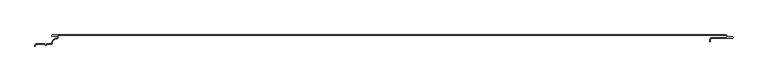
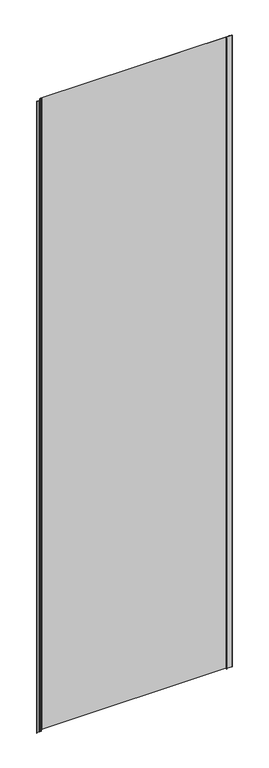
"""IFC4 building model written with IfcOpenShell, lengths in millimetres: plate geometry."""

from ifc_helpers import new_model, si_unit, frame, origin, place, context, project, spatial, polyline, circle_curve, source, transform, mapped, element, save
from ifc_brep_helpers import plane_surface, cylinder_surface, revolved_surface, advanced_brep


def plate_45da7de7(model_context):
    return source(origin(), model_context, "Body", "AdvancedBrep", [
        advanced_brep(
        [(502.0, -4.8245382, 3500.0), (532.5, -4.8245382, 3500.0), (532.5, -2.8245382, 3500.0), (525.5561562, -2.8245382, 3500.0), (524.6579744, -1.981717, 3500.0), (522.5460884, 0.0, 3500.0), (-471.6850913, 0.0, 3500.0), (-474.0000003, -0.1234618, 3500.0), (-474.0000003, -2.1234618, 3500.0), (-468.0000003, -2.1234618, 3500.0), (-468.0739842, -5.1216362, 3500.0), (-474.990878, -12.0703501, 3500.0), (-476.0000003, -13.1234618, 3500.0), (-482.5000001, -13.1234618, 3500.0), (-484.0000002, -14.6234618, 3500.0), (-485.5000001, -13.1234618, 3500.0), (-497.4, -13.1234618, 3500.0), (-500.0, -15.7234618, 3500.0), (-500.0, -17.1226667, 3500.0), (-499.2, -17.1226667, 3500.0), (-499.2, -15.7234618, 3500.0), (-497.4, -13.9234618, 3500.0), (-485.831371, -13.9234618, 3500.0), (-484.0000002, -15.7548327, 3500.0), (-482.1686293, -13.9234618, 3500.0), (-476.0000003, -13.9234618, 3500.0), (-474.2024882, -12.0288559, 3500.0), (-468.1139291, -5.930521, 3500.0), (-468.0000003, -1.3234618, 3500.0), (-474.0000003, -1.3234618, 3500.0), (-471.6637731, -0.8, 3500.0), (522.5460884, -0.8, 3500.0), (523.8595905, -2.0325427, 3500.0), (525.8912786, -3.5911794, 3500.0), (532.5, -4.0245382, 3500.0), (502.0, -4.0245382, 3500.0), (499.2, -6.8245382, 3500.0), (499.2, -10.3245382, 3500.0), (500.0, -10.3245382, 3500.0), (500.0, -6.8245382, 3500.0), (502.0, -4.8245382, 0.0), (500.0, -6.8245382, 0.0), (500.0, -10.3245382, 0.0), (499.2, -10.3245382, 0.0), (499.2, -6.8245382, 0.0), (502.0, -4.0245382, 0.0), (532.5, -4.0245382, 0.0), (525.8912786, -3.5911794, 0.0), (523.8595905, -2.0325427, 0.0), (522.5460884, -0.8, 0.0), (-471.6637731, -0.8, 0.0), (-474.0000003, -1.3234618, 0.0), (-468.0000003, -1.3234618, 0.0), (-468.1134423, -5.9206625, 0.0), (-474.1919837, -12.028303, 0.0), (-476.0000003, -13.9234618, 0.0), (-482.1686293, -13.9234618, 0.0), (-484.0000002, -15.7548327, 0.0), (-485.831371, -13.9234618, 0.0), (-497.4, -13.9234618, 0.0), (-499.2, -15.7234618, 0.0), (-499.2, -17.1226667, 0.0), (-500.0, -17.1226667, 0.0), (-500.0, -15.7234618, 0.0), (-497.4, -13.1234618, 0.0), (-485.5000001, -13.1234618, 0.0), (-484.0000002, -14.6234618, 0.0), (-482.5000001, -13.1234618, 0.0), (-476.0000003, -13.1234618, 0.0), (-475.0013825, -12.070903, 0.0), (-468.0744711, -5.1314947, 0.0), (-468.0000003, -2.1234618, 0.0), (-474.0000003, -2.1234618, 0.0), (-474.0000003, -0.1234618, 0.0), (-471.6850913, 0.0, 0.0), (522.5460884, 0.0, 0.0), (524.6579744, -1.981717, 0.0), (525.5561562, -2.8245382, 0.0), (532.5, -2.8245382, 0.0), (532.5, -4.8245382, 0.0)],
        [
            (0, 1),
            (1, 2, circle_curve(frame((532.5, -3.8245382, 3500.0), z_axis=(0.0, 0.0, 1.0), x_axis=(1.0, 0.0, 0.0)), 1.0)),
            (2, 3),
            (3, 4, circle_curve(frame((525.5561562, -1.9245382, 3500.0), z_axis=(0.0, 0.0, -1.0), x_axis=(1.0, 0.0, 0.0)), 0.9)),
            (4, 5, circle_curve(frame((522.5460884, -2.116161, 3500.0), z_axis=(0.0, 0.0, 1.0), x_axis=(1.0, 0.0, 0.0)), 2.116161)),
            (5, 6),
            (6, 7),
            (7, 8, circle_curve(frame((-474.0000003, -1.1234618, 3500.0), z_axis=(0.0, 0.0, 1.0), x_axis=(1.0, 0.0, 0.0)), 1.0)),
            (8, 9),
            (9, 10, circle_curve(frame((-468.0000003, -3.6234618, 3500.0), z_axis=(0.0, 0.0, -1.0), x_axis=(1.0, 0.0, 0.0)), 1.5)),
            (10, 11, circle_curve(frame((-468.4000003, -11.7234618, 3500.0), z_axis=(0.0, 0.0, 1.0), x_axis=(1.0, 0.0, 0.0)), 6.6)),
            (11, 12, circle_curve(frame((-476.0000003, -12.1234618, 3500.0), z_axis=(0.0, 0.0, -1.0), x_axis=(1.0, 0.0, 0.0)), 1.0)),
            (12, 13),
            (13, 14),
            (14, 15),
            (15, 16),
            (16, 17, circle_curve(frame((-497.4, -15.7234618, 3500.0), z_axis=(0.0, 0.0, 1.0), x_axis=(1.0, 0.0, 0.0)), 2.6)),
            (17, 18),
            (18, 19),
            (19, 20),
            (20, 21, circle_curve(frame((-497.4, -15.7234618, 3500.0), z_axis=(0.0, 0.0, -1.0), x_axis=(1.0, 0.0, 0.0)), 1.8)),
            (21, 22),
            (22, 23),
            (23, 24),
            (24, 25),
            (25, 26, circle_curve(frame((-476.0000003, -12.1234618, 3500.0), z_axis=(0.0, 0.0, 1.0), x_axis=(1.0, 0.0, 0.0)), 1.8)),
            (26, 27, circle_curve(frame((-468.4000003, -11.7234618, 3500.0), z_axis=(0.0, 0.0, -1.0), x_axis=(1.0, 0.0, 0.0)), 5.8)),
            (27, 28, circle_curve(frame((-468.0000003, -3.6234618, 3500.0), z_axis=(0.0, 0.0, 1.0), x_axis=(1.0, 0.0, 0.0)), 2.3)),
            (28, 29),
            (29, 30),
            (30, 31),
            (31, 32, circle_curve(frame((522.5460884, -2.116161, 3500.0), z_axis=(0.0, 0.0, -1.0), x_axis=(1.0, 0.0, 0.0)), 1.316161)),
            (32, 33, circle_curve(frame((525.5561562, -1.9245382, 3500.0), z_axis=(0.0, 0.0, 1.0), x_axis=(1.0, 0.0, 0.0)), 1.7)),
            (33, 34),
            (34, 35),
            (35, 36, circle_curve(frame((502.0, -6.8245382, 3500.0), z_axis=(0.0, 0.0, 1.0), x_axis=(1.0, 0.0, 0.0)), 2.8)),
            (36, 37),
            (37, 38),
            (38, 39),
            (39, 0, circle_curve(frame((502.0, -6.8245382, 3500.0), z_axis=(0.0, 0.0, -1.0), x_axis=(1.0, 0.0, 0.0)), 2.0)),
            (40, 41, circle_curve(frame((502.0, -6.8245382, 0.0), z_axis=(0.0, 0.0, 1.0), x_axis=(1.0, 0.0, 0.0)), 2.0)),
            (41, 42),
            (42, 43),
            (43, 44),
            (44, 45, circle_curve(frame((502.0, -6.8245382, 0.0), z_axis=(0.0, 0.0, -1.0), x_axis=(1.0, 0.0, 0.0)), 2.8)),
            (45, 46),
            (46, 47),
            (47, 48, circle_curve(frame((525.5561562, -1.9245382, 0.0), z_axis=(0.0, 0.0, -1.0), x_axis=(1.0, 0.0, 0.0)), 1.7)),
            (48, 49, circle_curve(frame((522.5460884, -2.116161, 0.0), z_axis=(0.0, 0.0, 1.0), x_axis=(1.0, 0.0, 0.0)), 1.316161)),
            (49, 50),
            (50, 51),
            (51, 52),
            (52, 53, circle_curve(frame((-468.0000003, -3.6234618, 0.0), z_axis=(0.0, 0.0, -1.0), x_axis=(1.0, 0.0, 0.0)), 2.3)),
            (53, 54, circle_curve(frame((-468.4000003, -11.7234618, 0.0), z_axis=(0.0, 0.0, 1.0), x_axis=(1.0, 0.0, 0.0)), 5.8)),
            (54, 55, circle_curve(frame((-476.0000003, -12.1234618, 0.0), z_axis=(0.0, 0.0, -1.0), x_axis=(1.0, 0.0, 0.0)), 1.8)),
            (55, 56),
            (56, 57),
            (57, 58),
            (58, 59),
            (59, 60, circle_curve(frame((-497.4, -15.7234618, 0.0), z_axis=(0.0, 0.0, 1.0), x_axis=(1.0, 0.0, 0.0)), 1.8)),
            (60, 61),
            (61, 62),
            (62, 63),
            (63, 64, circle_curve(frame((-497.4, -15.7234618, 0.0), z_axis=(0.0, 0.0, -1.0), x_axis=(1.0, 0.0, 0.0)), 2.6)),
            (64, 65),
            (65, 66),
            (66, 67),
            (67, 68),
            (68, 69, circle_curve(frame((-476.0000003, -12.1234618, 0.0), z_axis=(0.0, 0.0, 1.0), x_axis=(1.0, 0.0, 0.0)), 1.0)),
            (69, 70, circle_curve(frame((-468.4000003, -11.7234618, 0.0), z_axis=(0.0, 0.0, -1.0), x_axis=(1.0, 0.0, 0.0)), 6.6)),
            (70, 71, circle_curve(frame((-468.0000003, -3.6234618, 0.0), z_axis=(0.0, 0.0, 1.0), x_axis=(1.0, 0.0, 0.0)), 1.5)),
            (71, 72),
            (72, 73, circle_curve(frame((-474.0000003, -1.1234618, 0.0), z_axis=(0.0, 0.0, -1.0), x_axis=(1.0, 0.0, 0.0)), 1.0)),
            (73, 74),
            (74, 75),
            (75, 76, circle_curve(frame((522.5460884, -2.116161, 0.0), z_axis=(0.0, 0.0, -1.0), x_axis=(1.0, 0.0, 0.0)), 2.116161)),
            (76, 77, circle_curve(frame((525.5561562, -1.9245382, 0.0), z_axis=(0.0, 0.0, 1.0), x_axis=(1.0, 0.0, 0.0)), 0.9)),
            (77, 78),
            (78, 79, circle_curve(frame((532.5, -3.8245382, 0.0), z_axis=(0.0, 0.0, -1.0), x_axis=(1.0, 0.0, 0.0)), 1.0)),
            (79, 40),
            (0, 40),
            (79, 1),
            (78, 2),
            (77, 3),
            (76, 4),
            (75, 5),
            (74, 6),
            (73, 7),
            (72, 8),
            (71, 9),
            (70, 10),
            (69, 11),
            (68, 12),
            (67, 13),
            (66, 14),
            (65, 15),
            (64, 16),
            (63, 17),
            (62, 18),
            (61, 19),
            (60, 20),
            (59, 21),
            (58, 22),
            (57, 23),
            (56, 24),
            (55, 25),
            (54, 26),
            (53, 27),
            (52, 28),
            (51, 29),
            (50, 30),
            (49, 31),
            (48, 32),
            (47, 33),
            (46, 34),
            (45, 35),
            (44, 36),
            (43, 37),
            (42, 38),
            (41, 39),
        ],
        [
            plane_surface(frame((-500.0, 0.0, 3500.0), z_axis=(0.0, 0.0, 1.0), x_axis=(0.0, 1.0, 0.0))),
            plane_surface(frame((-500.0, 0.0, 0.0), z_axis=(0.0, 0.0, -1.0), x_axis=(0.0, 1.0, 0.0))),
            plane_surface(frame((502.0, -4.8245382, 3500.0), z_axis=(0.0, -1.0, 0.0), x_axis=(0.0, 0.0, -1.0))),
            cylinder_surface(frame((532.5, -3.8245382, 3500.0), z_axis=(0.0, 0.0, 1.0), x_axis=(1.0, 0.0, 0.0)), 1.0),
            plane_surface(frame((532.5, -2.8245382, 3500.0), z_axis=(0.0, 1.0, 0.0), x_axis=(0.0, 0.0, -1.0))),
            revolved_surface(polyline([(526.4561562, -1.9245382, 0.0), (526.4561562, -1.9245382, 3500.0)]), (525.5561562, -1.9245382, 3500.0), (0.0, 0.0, -1.0)),
            cylinder_surface(frame((522.5460884, -2.116161, 3500.0), z_axis=(0.0, 0.0, 1.0), x_axis=(1.0, 0.0, 0.0)), 2.116161),
            plane_surface(frame((522.5460884, 0.0, 3500.0), z_axis=(0.0, 1.0, 0.0), x_axis=(0.0, 0.0, -1.0))),
            plane_surface(frame((-471.6850913, 0.0, 3500.0), z_axis=(-0.053257642916100786, 0.9985808046778293, 0.0), x_axis=(0.0, 0.0, -1.0))),
            cylinder_surface(frame((-474.0000003, -1.1234618, 3500.0), z_axis=(0.0, 0.0, 1.0), x_axis=(1.0, 0.0, 0.0)), 1.0),
            plane_surface(frame((-474.0000003, -2.1234618, 3500.0), z_axis=(0.0, -1.0, 0.0), x_axis=(0.0, 0.0, -1.0))),
            revolved_surface(polyline([(-466.5000003, -3.6234618, 0.0), (-466.5000003, -3.6234618, 3500.0)]), (-468.0000003, -3.6234618, 3500.0), (0.0, 0.0, -1.0)),
            cylinder_surface(frame((-468.4000003, -11.7234618, 3500.0), z_axis=(0.0, 0.0, 1.0), x_axis=(1.0, 0.0, 0.0)), 6.6),
            revolved_surface(polyline([(-475.0000003, -12.1234618, 0.0), (-475.0000003, -12.1234618, 3500.0)]), (-476.0000003, -12.1234618, 3500.0), (0.0, 0.0, -1.0)),
            plane_surface(frame((-476.0000003, -13.1234618, 3500.0), z_axis=(0.0, 1.0, 0.0), x_axis=(0.0, 0.0, -1.0))),
            plane_surface(frame((-482.5000001, -13.1234618, 3500.0), z_axis=(-0.7071067810229229, 0.7071067813501721, 0.0), x_axis=(0.0, 0.0, -1.0))),
            plane_surface(frame((-484.0000002, -14.6234618, 3500.0), z_axis=(0.7071067813500019, 0.7071067810230931, 0.0), x_axis=(0.0, 0.0, -1.0))),
            plane_surface(frame((-485.5000001, -13.1234618, 3500.0), z_axis=(0.0, 1.0, 0.0), x_axis=(0.0, 0.0, -1.0))),
            cylinder_surface(frame((-497.4, -15.7234618, 3500.0), z_axis=(0.0, 0.0, 1.0), x_axis=(1.0, 0.0, 0.0)), 2.6),
            plane_surface(frame((-500.0, -15.7234618, 3500.0), z_axis=(-1.0, 0.0, 0.0), x_axis=(0.0, 0.0, -1.0))),
            plane_surface(frame((-500.0, -17.1226667, 3500.0), z_axis=(0.0, -1.0, 0.0), x_axis=(0.0, 0.0, -1.0))),
            plane_surface(frame((-499.2, -17.1226667, 3500.0), z_axis=(1.0, 0.0, 0.0), x_axis=(0.0, 0.0, -1.0))),
            revolved_surface(polyline([(-495.59999999999997, -15.7234618, 0.0), (-495.59999999999997, -15.7234618, 3500.0)]), (-497.4, -15.7234618, 3500.0), (0.0, 0.0, -1.0)),
            plane_surface(frame((-497.4, -13.9234618, 3500.0), z_axis=(0.0, -1.0, 0.0), x_axis=(0.0, 0.0, -1.0))),
            plane_surface(frame((-485.831371, -13.9234618, 3500.0), z_axis=(-0.7071067813500018, -0.7071067810230932, 0.0), x_axis=(0.0, 0.0, -1.0))),
            plane_surface(frame((-484.0000002, -15.7548327, 3500.0), z_axis=(0.7071067810229222, -0.7071067813501728, 0.0), x_axis=(0.0, 0.0, -1.0))),
            plane_surface(frame((-482.1686293, -13.9234618, 3500.0), z_axis=(0.0, -1.0, 0.0), x_axis=(0.0, 0.0, -1.0))),
            cylinder_surface(frame((-476.0000003, -12.1234618, 3500.0), z_axis=(0.0, 0.0, 1.0), x_axis=(1.0, 0.0, 0.0)), 1.8),
            revolved_surface(polyline([(-462.6000003, -11.7234618, 0.0), (-462.6000003, -11.7234618, 3500.0)]), (-468.4000003, -11.7234618, 3500.0), (0.0, 0.0, -1.0)),
            cylinder_surface(frame((-468.0000003, -3.6234618, 3500.0), z_axis=(0.0, 0.0, 1.0), x_axis=(1.0, 0.0, 0.0)), 2.3),
            plane_surface(frame((-468.0000003, -1.3234618, 3500.0), z_axis=(0.0, 1.0, 0.0), x_axis=(0.0, 0.0, -1.0))),
            plane_surface(frame((-474.0000003, -1.3234618, 3500.0), z_axis=(0.21864173282829105, -0.9758052022129429, 0.0), x_axis=(0.0, 0.0, -1.0))),
            plane_surface(frame((-471.6637731, -0.8, 3500.0), z_axis=(0.0, -1.0, 0.0), x_axis=(0.0, 0.0, -1.0))),
            revolved_surface(polyline([(523.8622494, -2.116161, 0.0), (523.8622494, -2.116161, 3500.0)]), (522.5460884, -2.116161, 3500.0), (0.0, 0.0, -1.0)),
            cylinder_surface(frame((525.5561562, -1.9245382, 3500.0), z_axis=(0.0, 0.0, 1.0), x_axis=(1.0, 0.0, 0.0)), 1.7),
            plane_surface(frame((525.8912786, -3.5911794, 3500.0), z_axis=(-0.06543324256075209, -0.9978569490503064, 0.0), x_axis=(0.0, 0.0, -1.0))),
            plane_surface(frame((532.5, -4.0245382, 3500.0), z_axis=(0.0, 1.0, 0.0), x_axis=(0.0, 0.0, -1.0))),
            cylinder_surface(frame((502.0, -6.8245382, 3500.0), z_axis=(0.0, 0.0, 1.0), x_axis=(1.0, 0.0, 0.0)), 2.8),
            plane_surface(frame((499.2, -6.8245382, 3500.0), z_axis=(-1.0, 0.0, 0.0), x_axis=(0.0, 0.0, -1.0))),
            plane_surface(frame((499.2, -10.3245382, 3500.0), z_axis=(0.0, -1.0, 0.0), x_axis=(0.0, 0.0, -1.0))),
            plane_surface(frame((500.0, -10.3245382, 3500.0), z_axis=(1.0, 0.0, 0.0), x_axis=(0.0, 0.0, -1.0))),
            revolved_surface(polyline([(504.0, -6.8245382, 0.0), (504.0, -6.8245382, 3500.0)]), (502.0, -6.8245382, 3500.0), (0.0, 0.0, -1.0)),
        ],
        [
            (0, [[1, 2, 3, 4, 5, 6, 7, 8, 9, 10, 11, 12, 13, 14, 15, 16, 17, 18, 19, 20, 21, 22, 23, 24, 25, 26, 27, 28, 29, 30, 31, 32, 33, 34, 35, 36, 37, 38, 39, 40]]),
            (1, [[41, 42, 43, 44, 45, 46, 47, 48, 49, 50, 51, 52, 53, 54, 55, 56, 57, 58, 59, 60, 61, 62, 63, 64, 65, 66, 67, 68, 69, 70, 71, 72, 73, 74, 75, 76, 77, 78, 79, 80]]),
            (2, [[-1, 81, -80, 82]]),
            (3, [[-2, -82, -79, 83]]),
            (4, [[-3, -83, -78, 84]]),
            (5, [[-4, -84, -77, 85]]),
            (6, [[-5, -85, -76, 86]]),
            (7, [[-6, -86, -75, 87]]),
            (8, [[-7, -87, -74, 88]]),
            (9, [[-8, -88, -73, 89]]),
            (10, [[-9, -89, -72, 90]]),
            (11, [[-10, -90, -71, 91]]),
            (12, [[-11, -91, -70, 92]]),
            (13, [[-12, -92, -69, 93]]),
            (14, [[-13, -93, -68, 94]]),
            (15, [[-14, -94, -67, 95]]),
            (16, [[-15, -95, -66, 96]]),
            (17, [[-16, -96, -65, 97]]),
            (18, [[-17, -97, -64, 98]]),
            (19, [[-18, -98, -63, 99]]),
            (20, [[-19, -99, -62, 100]]),
            (21, [[-20, -100, -61, 101]]),
            (22, [[-21, -101, -60, 102]]),
            (23, [[-22, -102, -59, 103]]),
            (24, [[-23, -103, -58, 104]]),
            (25, [[-24, -104, -57, 105]]),
            (26, [[-25, -105, -56, 106]]),
            (27, [[-26, -106, -55, 107]]),
            (28, [[-27, -107, -54, 108]]),
            (29, [[-28, -108, -53, 109]]),
            (30, [[-29, -109, -52, 110]]),
            (31, [[-30, -110, -51, 111]]),
            (32, [[-31, -111, -50, 112]]),
            (33, [[-32, -112, -49, 113]]),
            (34, [[-33, -113, -48, 114]]),
            (35, [[-34, -114, -47, 115]]),
            (36, [[-35, -115, -46, 116]]),
            (37, [[-36, -116, -45, 117]]),
            (38, [[-37, -117, -44, 118]]),
            (39, [[-38, -118, -43, 119]]),
            (40, [[-39, -119, -42, 120]]),
            (41, [[-40, -120, -41, -81]]),
        ],
    ),
    ])


if __name__ == "__main__":
    model = new_model("IFC4")
    model_context = context("Model", 3, world=origin())
    ifc_project = project(units=[si_unit("LENGTHUNIT", "METRE", prefix="MILLI")], contexts=[model_context])
    site = spatial("IfcSite", under=ifc_project)
    building = spatial("IfcBuilding", under=site)
    placement = place(None, origin())
    plate_shape = plate_45da7de7(model_context)
    element("IfcPlate", 1, at=placement, inside=building, context=model_context, shape_type="MappedRepresentation", body=[
        mapped(plate_shape, transform((0.0, 0.0, 0.0), x_axis=(1.0, 0.0, 0.0), y_axis=(0.0, 1.0, 0.0), z_axis=(0.0, 0.0, 1.0))),
    ])
    save(model, "model.ifc")
